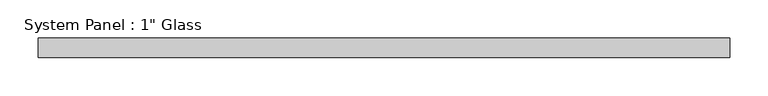
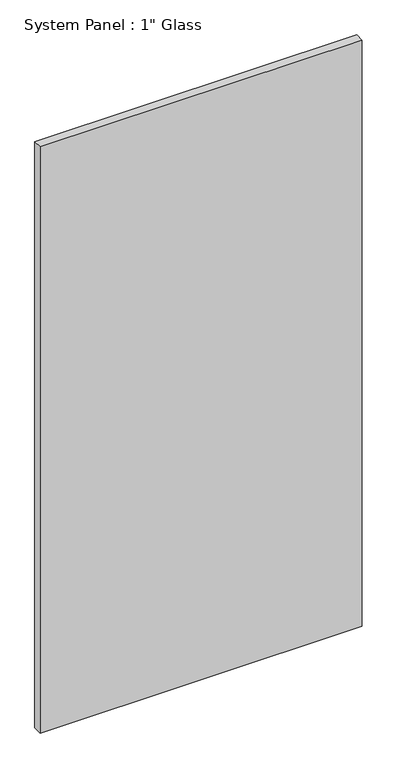
"""IFC4 building model written with IfcOpenShell, lengths in millimetres: plate geometry."""

from ifc_helpers import new_model, si_unit, origin, origin_with_axes, place, context, project, spatial, polyline, outline, extrude, source, transform, mapped, element, save


def plate_76e07e14(model_context):
    return source(origin(), model_context, "Body", "SweptSolid", [
        extrude(outline(polyline([(452.4375, -12.7), (-452.4375, -12.7), (-452.4375, 12.7), (452.4375, 12.7), (452.4375, -12.7)])), origin_with_axes(), (0.0, 0.0, 1.0), 1739.9),
    ])


if __name__ == "__main__":
    model = new_model("IFC4")
    model_context = context("Model", 3, world=origin())
    ifc_project = project(units=[si_unit("LENGTHUNIT", "METRE", prefix="MILLI")], contexts=[model_context])
    site = spatial("IfcSite", under=ifc_project)
    building = spatial("IfcBuilding", under=site)
    placement = place(None, origin())
    plate_shape = plate_76e07e14(model_context)
    element("IfcPlate", 1, ObjectType="System Panel : 1\" Glass", at=placement, inside=building, context=model_context, shape_type="MappedRepresentation", body=[
        mapped(plate_shape, transform((0.0, 0.0, 0.0), x_axis=(1.0, 0.0, 0.0), y_axis=(0.0, 1.0, 0.0), z_axis=(0.0, 0.0, 1.0))),
    ])
    save(model, "model.ifc")
